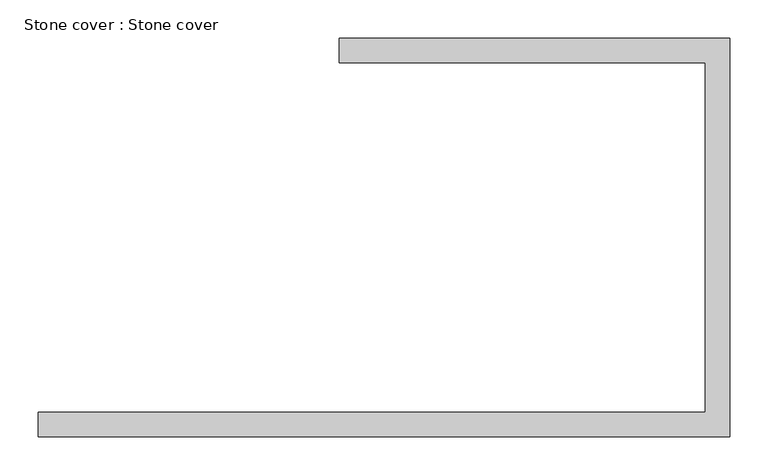
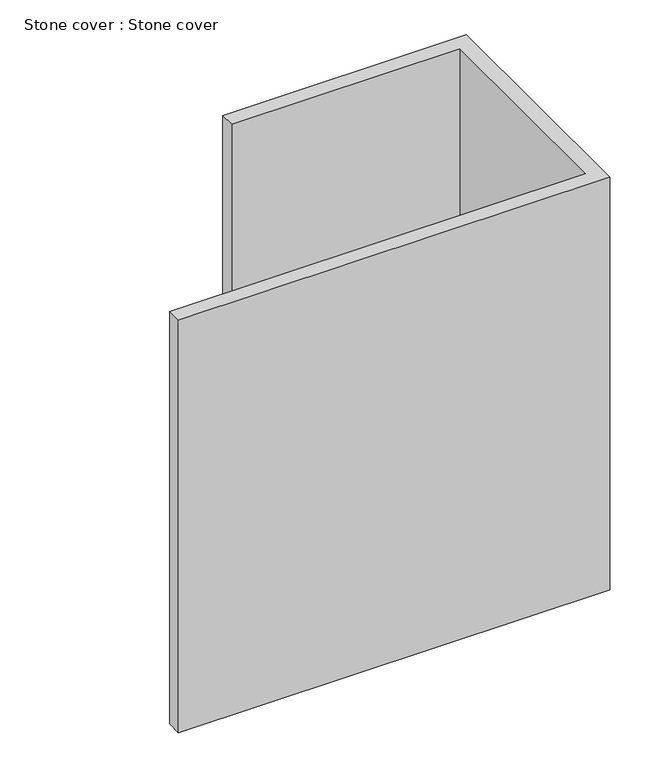
"""IFC4 building model written with IfcOpenShell, lengths in millimetres: proxy geometry, Stone cover : Stone cover."""

from ifc_helpers import new_model, si_unit, frame, origin, place, context, project, spatial, polyline, outline, extrude, source, transform, mapped, element, save


def stone_cover_stone_cover_2207e004(model_context):
    return source(origin(), model_context, "Body", "SweptSolid", [
        extrude(outline(polyline([(38176.7710168, -21912.7029893), (37272.8945312, -21912.7029893), (37272.8945312, -21880.9529893), (38145.0210168, -21880.9529893), (38145.0210168, -21423.7529893), (37666.5976562, -21423.7529893), (37666.5976562, -21392.0029893), (38176.7710168, -21392.0029893), (38176.7710168, -21912.7029893)])), frame((0.0, 0.0, 1524.0), z_axis=(0.0, 0.0, 1.0), x_axis=(1.0, 0.0, 0.0)), (0.0, 0.0, 1.0), 914.4),
    ])


if __name__ == "__main__":
    model = new_model("IFC4")
    model_context = context("Model", 3, world=origin())
    ifc_project = project(units=[si_unit("LENGTHUNIT", "METRE", prefix="MILLI")], contexts=[model_context])
    site = spatial("IfcSite", under=ifc_project)
    building = spatial("IfcBuilding", under=site)
    placement = place(None, origin())
    stone_cover_stone_cover_shape = stone_cover_stone_cover_2207e004(model_context)
    element("IfcBuildingElementProxy", 1, Name="Stone cover : Stone cover", ObjectType="Stone cover : Stone cover", at=placement, inside=building, context=model_context, shape_type="MappedRepresentation", body=[
        mapped(stone_cover_stone_cover_shape, transform((0.0, 0.0, 0.0), x_axis=(1.0, 0.0, 0.0), y_axis=(0.0, 1.0, 0.0), z_axis=(0.0, 0.0, 1.0))),
    ])
    save(model, "model.ifc")
